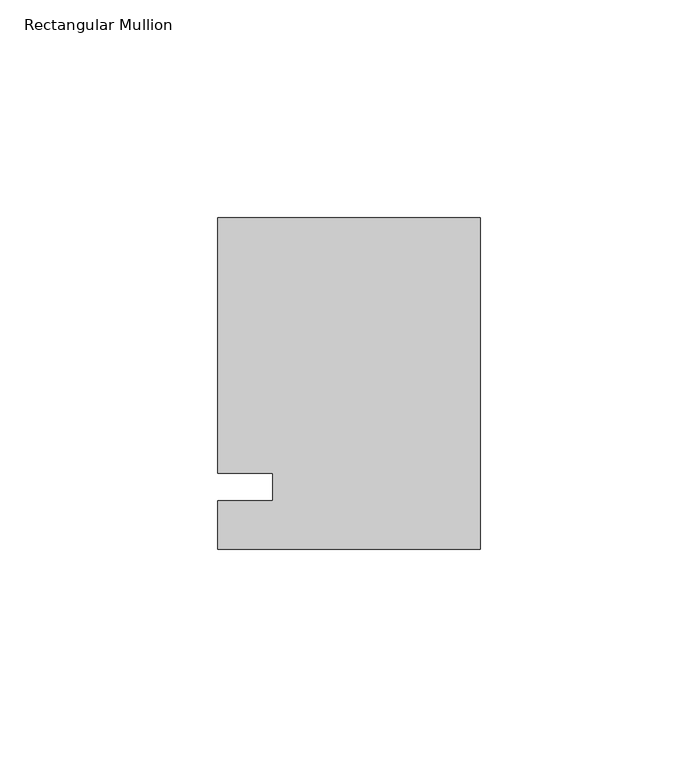
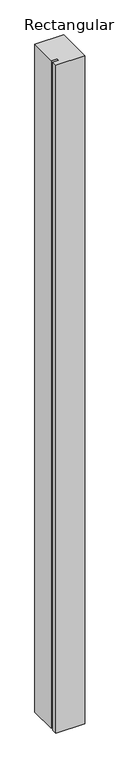
"""IFC4 building model written with IfcOpenShell, lengths in millimetres: member geometry, Rectangular Mullion."""

import ifcopenshell
import ifcopenshell.guid

model = None  # the IFC model being written
_history = None  # IfcOwnerHistory: only IFC2X3 demands one
_inside = {}  # id of a spatial element -> (the spatial element, [elements in it])
_under = {}  # id of a project, library or spatial element -> (it, [spatial elements below it])
_declared = {}  # id of a project -> (the project, [libraries it declares])
_typed = {}  # id of a type object -> (the type object, [elements of that type])
_made_of = {}  # id of a material, layer set ... -> (it, [elements and type objects made of it])


def new_model(schema):
    """Start an empty IFC model of exactly this schema.

    Asked for "IFC4X3", IfcOpenShell would pick the latest addendum, in which some entities
    have other attributes; the version numbers below select the first issue.
    IFC2X3 requires an IfcOwnerHistory on every rooted entity: one is made here for all.
    """
    global model, _history
    if schema == "IFC4X3":
        model = ifcopenshell.file(schema_version=(4, 3, 0, 0))
    else:
        model = ifcopenshell.file(schema=schema)
    _inside.clear()
    _under.clear()
    _declared.clear()
    _typed.clear()
    _made_of.clear()
    _history = None
    if model.schema == "IFC2X3":
        org = make("IfcOrganization", Name="unknown")
        user = make(
            "IfcPersonAndOrganization",
            ThePerson=make("IfcPerson", FamilyName="unknown"),
            TheOrganization=org,
        )
        app = make(
            "IfcApplication",
            ApplicationDeveloper=org,
            Version="unknown",
            ApplicationFullName="unknown",
            ApplicationIdentifier="unknown",
        )
        _history = make(
            "IfcOwnerHistory",
            OwningUser=user,
            OwningApplication=app,
            ChangeAction="ADDED",
            CreationDate=0,
        )
    return model


def make(cls, **values):
    """One entity of the class cls with the attributes given. An attribute that is None is left unset."""
    return model.create_entity(
        cls, **{name: value for name, value in values.items() if value is not None}
    )


def rooted(cls, **values):
    """An entity with a GlobalId (a new one), such as an element, a storey or a relation."""
    return make(cls, GlobalId=ifcopenshell.guid.new(), OwnerHistory=_history, **values)


def si_unit(unit_type, name, prefix=None):
    """IfcSIUnit, for example si_unit("LENGTHUNIT", "METRE", prefix="MILLI")."""
    return make("IfcSIUnit", UnitType=unit_type, Prefix=prefix, Name=name)


def assignment(units):
    """IfcUnitAssignment: the units of a project."""
    return None if units is None else make("IfcUnitAssignment", Units=units)


def point(xyz):
    """IfcCartesianPoint."""
    return None if xyz is None else make("IfcCartesianPoint", Coordinates=xyz)


def direction(xyz):
    """IfcDirection."""
    return None if xyz is None else make("IfcDirection", DirectionRatios=xyz)


def frame(location, z_axis=None, x_axis=None):
    """IfcAxis2Placement3D, a coordinate frame: its origin and axes. An axis left out is left unset."""
    return make(
        "IfcAxis2Placement3D",
        Location=point(location),
        Axis=direction(z_axis),
        RefDirection=direction(x_axis),
    )


def origin():
    """The frame at (0, 0, 0) with its axes left unset."""
    return frame((0.0, 0.0, 0.0))


def place(relative_to, where):
    """IfcLocalPlacement: puts the frame where relative to a parent placement (None: the world)."""
    return make(
        "IfcLocalPlacement", PlacementRelTo=relative_to, RelativePlacement=where
    )


def context(
    kind, dimensions, precision=None, world=None, true_north=None, identifier=None
):
    """IfcGeometricRepresentationContext, for example the 3D "Model" context."""
    return make(
        "IfcGeometricRepresentationContext",
        ContextIdentifier=identifier,
        ContextType=kind,
        CoordinateSpaceDimension=dimensions,
        Precision=precision,
        WorldCoordinateSystem=world,
        TrueNorth=true_north,
    )


def project(units=None, contexts=None):
    """IfcProject with its units and contexts."""
    return rooted(
        "IfcProject",
        Name="project",
        RepresentationContexts=contexts,
        UnitsInContext=assignment(units),
    )


def spatial(cls, under=None, at=None, **own):
    """A site, building, storey or space (cls), placed at a placement, below another one or the project."""
    s = rooted(cls, ObjectPlacement=at, **own)
    if under is not None:
        _under.setdefault(under.id(), (under, []))[1].append(s)
    return s


def polyline(points):
    """IfcPolyline through the points."""
    return make("IfcPolyline", Points=[point(p) for p in points])


def outline(outer, holes=None, kind="AREA"):
    """IfcArbitraryClosedProfileDef: a profile drawn as a closed curve; with holes, ...WithVoids."""
    if holes is None:
        return make("IfcArbitraryClosedProfileDef", ProfileType=kind, OuterCurve=outer)
    return make(
        "IfcArbitraryProfileDefWithVoids",
        ProfileType=kind,
        OuterCurve=outer,
        InnerCurves=holes,
    )


def extrude(swept, where, along, depth):
    """IfcExtrudedAreaSolid: the profile swept, set in the frame where, extruded along a direction by depth."""
    return make(
        "IfcExtrudedAreaSolid",
        SweptArea=swept,
        Position=where,
        ExtrudedDirection=direction(along),
        Depth=depth,
    )


def shape(context_of_items, identifier, shape_type, items):
    """IfcShapeRepresentation: the items that make up one representation, for example the "Body"."""
    return make(
        "IfcShapeRepresentation",
        ContextOfItems=context_of_items,
        RepresentationIdentifier=identifier,
        RepresentationType=shape_type,
        Items=items,
    )


def source(mapping_origin, context_of_items, identifier, shape_type, items):
    """IfcRepresentationMap: a shape defined once, which mapped items show again and again."""
    return make(
        "IfcRepresentationMap",
        MappingOrigin=mapping_origin,
        MappedRepresentation=shape(context_of_items, identifier, shape_type, items),
    )


def transform(
    local_origin,
    x_axis=None,
    y_axis=None,
    z_axis=None,
    scale=None,
    scale2=None,
    scale3=None,
    uniform=True,
):
    """IfcCartesianTransformationOperator3D, or its non-uniform kind. x_axis, y_axis, z_axis: its Axis1, 2, 3."""
    if uniform:
        return make(
            "IfcCartesianTransformationOperator3D",
            Axis1=direction(x_axis),
            Axis2=direction(y_axis),
            LocalOrigin=point(local_origin),
            Scale=scale,
            Axis3=direction(z_axis),
        )
    return make(
        "IfcCartesianTransformationOperator3DnonUniform",
        Axis1=direction(x_axis),
        Axis2=direction(y_axis),
        LocalOrigin=point(local_origin),
        Scale=scale,
        Axis3=direction(z_axis),
        Scale2=scale2,
        Scale3=scale3,
    )


def mapped(mapping_source, mapping_target):
    """IfcMappedItem: shows the shape of a source again, moved by a transform."""
    return make(
        "IfcMappedItem", MappingSource=mapping_source, MappingTarget=mapping_target
    )


def made_of(thing, what):
    """Note that an element or type object is made of a material, layer set ...; save() writes the relation."""
    if what is not None:
        _made_of.setdefault(what.id(), (what, []))[1].append(thing)
    return thing


def element(
    cls,
    number,
    at=None,
    inside=None,
    cuts=None,
    type_object=None,
    material=None,
    context=None,
    identifier="Body",
    shape_type=None,
    held_by="IfcProductDefinitionShape",
    body=None,
    shapes=None,
    **own,
):
    """One element of the class cls, such as IfcWall. Its Tag is "e" and its number.

    at: its placement. inside: the storey or other place that contains it. cuts: it is an
    opening in that element (IfcRelVoidsElement). A single representation is given by context,
    identifier, shape_type and body (its items); several are given by shapes. held_by: the class
    of the entity that holds the representations. save() writes the other relations.
    """
    e = rooted(cls, Tag="e%d" % number, ObjectPlacement=at, **own)
    if body is not None:
        shapes = [shape(context, identifier, shape_type, body)]
    if shapes is not None:
        e.Representation = make(held_by, Representations=shapes)
    if inside is not None:
        _inside.setdefault(inside.id(), (inside, []))[1].append(e)
    if cuts is not None:
        rooted(
            "IfcRelVoidsElement", RelatingBuildingElement=cuts, RelatedOpeningElement=e
        )
    if type_object is not None:
        _typed.setdefault(type_object.id(), (type_object, []))[1].append(e)
    return made_of(e, material)


def aggregate(whole, parts):
    """IfcRelAggregates: a whole, such as a stair, and the parts it consists of."""
    return rooted("IfcRelAggregates", RelatingObject=whole, RelatedObjects=parts)


def save(model, path):
    """Write the relations noted so far, then the file.

    IfcRelAggregates (storeys below a building ...), IfcRelContainedInSpatialStructure (elements
    in a storey), IfcRelDefinesByType, IfcRelAssociatesMaterial and IfcRelDeclares: one each for
    every whole, place, type object, material and project.
    """
    for whole, parts in _under.values():
        aggregate(whole, parts)
    for where, things in _inside.values():
        rooted(
            "IfcRelContainedInSpatialStructure",
            RelatedElements=things,
            RelatingStructure=where,
        )
    for kind, things in _typed.values():
        rooted("IfcRelDefinesByType", RelatedObjects=things, RelatingType=kind)
    for what, things in _made_of.values():
        rooted("IfcRelAssociatesMaterial", RelatedObjects=things, RelatingMaterial=what)
    for by, libraries in _declared.values():
        rooted("IfcRelDeclares", RelatingContext=by, RelatedDefinitions=libraries)
    model.write(path)


def rectangular_mullion_e3d323e6(model_context):
    return source(origin(), model_context, "Body", "SweptSolid", [
        extrude(outline(polyline([(-60.325, 61.9125), (0.0, 61.9125), (0.0, -14.2875), (-60.325, -14.2875), (-60.325, -3.175), (-47.6232296, -3.175), (-47.6232296, 3.175), (-60.325, 3.175), (-60.325, 61.9125)])), frame((0.0, 0.0, -1478.28), z_axis=(0.0, 0.0, 1.0), x_axis=(1.0, 0.0, 0.0)), (0.0, 0.0, 1.0), 1478.28),
    ])


if __name__ == "__main__":
    model = new_model("IFC4")
    model_context = context("Model", 3, world=origin())
    ifc_project = project(units=[si_unit("LENGTHUNIT", "METRE", prefix="MILLI")], contexts=[model_context])
    site = spatial("IfcSite", under=ifc_project)
    building = spatial("IfcBuilding", under=site)
    placement = place(None, origin())
    rectangular_mullion_shape = rectangular_mullion_e3d323e6(model_context)
    element("IfcMember", 1, ObjectType="Rectangular Mullion", at=placement, inside=building, context=model_context, shape_type="MappedRepresentation", body=[
        mapped(rectangular_mullion_shape, transform((0.0, 0.0, 0.0), x_axis=(1.0, 0.0, 0.0), y_axis=(0.0, 1.0, 0.0), z_axis=(0.0, 0.0, 1.0))),
    ])
    save(model, "model.ifc")
